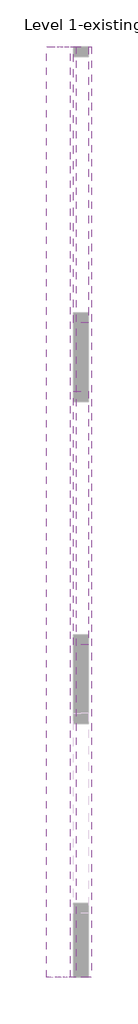
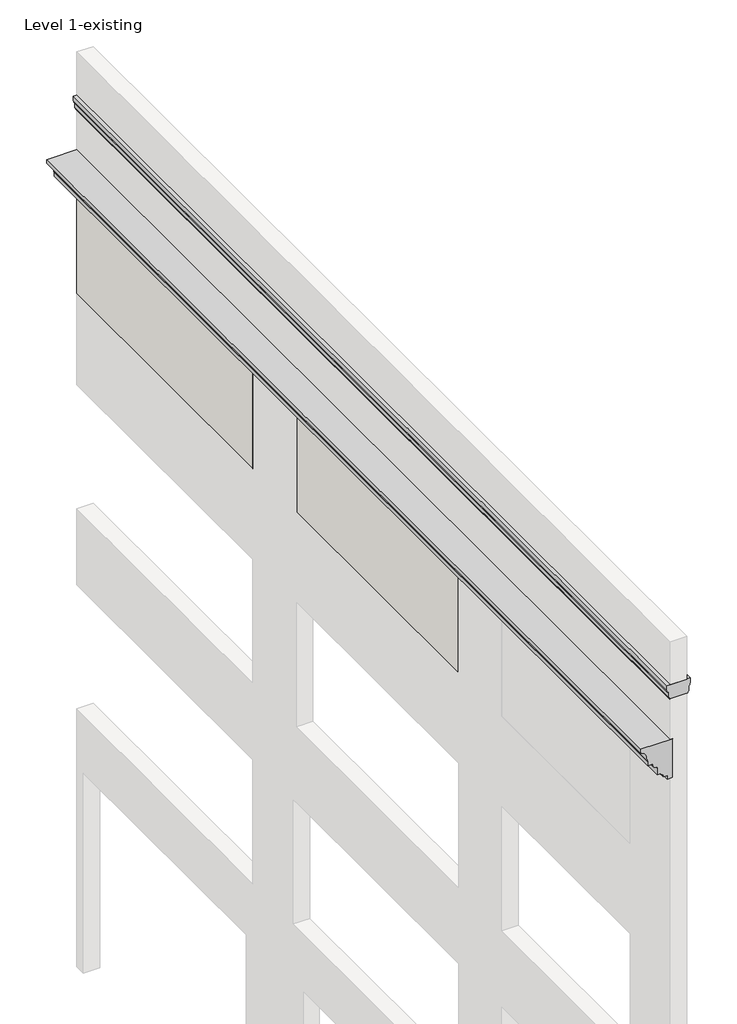
# One storey, part 2 of 2: 2 proxies, 2 walls.
"""IFC4 building model written with IfcOpenShell, lengths in millimetres."""

from ifc_helpers import new_model, si_unit, frame, origin, place, context, project, spatial, polyline, circle_curve, element, save
from ifc_brep_helpers import plane_surface, cylinder_surface, revolved_surface, extruded_surface, spline_curve, advanced_brep

model = new_model("IFC4")

# Units and contexts
model_context = context("Model", 3, world=origin())
ifc_project = project(units=[si_unit("LENGTHUNIT", "METRE", prefix="MILLI")], contexts=[model_context])

# Site, building, storey
site = spatial("IfcSite", under=ifc_project)
building = spatial("IfcBuilding", under=site)
storey = spatial("IfcBuildingStorey", under=building, Name="Level 1-existing", Elevation=0.0)

# Proxies
placement = place(None, origin())
element("IfcBuildingElementProxy", 1, Name="parapet cap-1", ObjectType="parapet cap-1", at=placement, inside=storey, context=model_context, shape_type="AdvancedBrep", body=[
    advanced_brep(
    [(-3353.2190818, 18547.5531223, 18745.2), (-3346.8690818, 18547.5531223, 18745.2), (-3346.8690818, 18547.5531223, 18732.5), (-3321.4690818, 18547.5531223, 18697.575), (-3321.4690818, 18547.5531223, 18694.4), (-2965.8690818, 18547.5531223, 18694.4), (-2965.8690818, 18547.5531223, 18697.575), (-2940.4690818, 18547.5531223, 18732.5), (-2940.4690818, 18547.5531223, 18745.2), (-2934.1190818, 18547.5531223, 18745.2), (-2934.1190818, 18547.5531223, 18846.8), (-2921.4190818, 18547.5531223, 18859.5), (-2921.4190818, 18547.5531223, 18897.6), (-2908.7190818, 18547.5531223, 18897.6), (-2908.7190818, 18547.5531223, 18999.2), (-3378.6190818, 18547.5531223, 18999.2), (-3378.6190818, 18547.5531223, 18897.6), (-3365.9190818, 18547.5531223, 18897.6), (-3365.9190818, 18547.5531223, 18859.5), (-3353.2190818, 18547.5531223, 18846.8), (-3353.2190818, 39267.6031223, 18745.2), (-3353.2190818, 39267.6031223, 18846.8), (-3365.9190818, 39267.6031223, 18859.5), (-3365.9190818, 39267.6031223, 18897.6), (-3378.6190818, 39267.6031223, 18897.6), (-3378.6190818, 39267.6031223, 18999.2), (-2908.7190818, 39267.6031223, 18999.2), (-2908.7190818, 39267.6031223, 18897.6), (-2921.4190818, 39267.6031223, 18897.6), (-2921.4190818, 39267.6031223, 18859.5), (-2934.1190818, 39267.6031223, 18846.8), (-2934.1190818, 39267.6031223, 18745.2), (-2940.4690818, 39267.6031223, 18745.2), (-2940.4690818, 39267.6031223, 18732.5), (-2965.8690818, 39267.6031223, 18697.575), (-2965.8690818, 39267.6031223, 18694.4), (-3321.4690818, 39267.6031223, 18694.4), (-3321.4690818, 39267.6031223, 18697.575), (-3346.8690818, 39267.6031223, 18732.5), (-3346.8690818, 39267.6031223, 18745.2)],
    [
        (0, 1),
        (1, 2, circle_curve(frame((-3346.8690818, 18547.5531223, 18738.85), z_axis=(0.0, -1.0, 0.0), x_axis=(-1.0, 0.0, 0.0)), 6.35)),
        (2, 3, spline_curve(3, [(-3346.8690818, 18547.5531223, 18732.5), (-3341.980604738, 18547.5531223, 18731.401678213), (-3339.009415487, 18547.5531223, 18729.539544824), (-3334.639503146, 18547.5531223, 18725.181112951), (-3333.591613249, 18547.5531223, 18722.630824533), (-3332.355538904, 18547.5531223, 18717.130531203), (-3332.234495692, 18547.5531223, 18714.164973628), (-3332.290820109, 18547.5531223, 18708.057890576), (-3332.448918022, 18547.5531223, 18704.941101953), (-3330.259124067, 18547.5531223, 18699.729884987), (-3328.10423906, 18547.5531223, 18697.575), (-3321.4690818, 18547.5531223, 18697.575)], [4, 2, 2, 2, 2, 4], [0.0, 0.022623578332002306, 0.04907252750614849, 0.0774208342241095, 0.10388792919099153, 0.12830657378910823])),
        (3, 4),
        (4, 5),
        (5, 6),
        (6, 7, spline_curve(3, [(-2965.8690818, 18547.5531223, 18697.575), (-2959.23392454, 18547.5531223, 18697.575), (-2957.079039533, 18547.5531223, 18699.729884987), (-2954.889245578, 18547.5531223, 18704.941101953), (-2955.047343491, 18547.5531223, 18708.057890576), (-2955.103667908, 18547.5531223, 18714.164973628), (-2954.982624796, 18547.5531223, 18717.130531203), (-2953.746550451, 18547.5531223, 18722.630824533), (-2952.698660554, 18547.5531223, 18725.181112951), (-2948.328748213, 18547.5531223, 18729.539544824), (-2945.357558862, 18547.5531223, 18731.401678213), (-2940.4690818, 18547.5531223, 18732.5)], [4, 2, 2, 2, 2, 4], [0.0, 0.0244186445981167, 0.05088573956499873, 0.07923404628295974, 0.10568299545710592, 0.12830657378910823])),
        (7, 8, circle_curve(frame((-2940.4690818, 18547.5531223, 18738.85), z_axis=(0.0, -1.0, 0.0), x_axis=(-1.0, 0.0, 0.0)), 6.35)),
        (8, 9),
        (9, 10),
        (10, 11, circle_curve(frame((-2921.4190818, 18547.5531223, 18846.8), z_axis=(0.0, 1.0, 0.0), x_axis=(-1.0, 0.0, 0.0)), 12.7)),
        (11, 12),
        (12, 13),
        (13, 14),
        (14, 15),
        (15, 16),
        (16, 17),
        (17, 18),
        (18, 19, circle_curve(frame((-3365.9190818, 18547.5531223, 18846.8), z_axis=(0.0, 1.0, 0.0), x_axis=(-1.0, 0.0, 0.0)), 12.7)),
        (19, 0),
        (20, 21),
        (21, 22, circle_curve(frame((-3365.9190818, 39267.6031223, 18846.8), z_axis=(0.0, -1.0, 0.0), x_axis=(-1.0, 0.0, 0.0)), 12.7)),
        (22, 23),
        (23, 24),
        (24, 25),
        (25, 26),
        (26, 27),
        (27, 28),
        (28, 29),
        (29, 30, circle_curve(frame((-2921.4190818, 39267.6031223, 18846.8), z_axis=(0.0, -1.0, 0.0), x_axis=(-1.0, 0.0, 0.0)), 12.7)),
        (30, 31),
        (31, 32),
        (32, 33, circle_curve(frame((-2940.4690818, 39267.6031223, 18738.85), z_axis=(0.0, 1.0, 0.0), x_axis=(-1.0, 0.0, 0.0)), 6.35)),
        (33, 34, spline_curve(3, [(-2940.4690818, 39267.6031223, 18732.5), (-2945.357558862, 39267.6031223, 18731.401678213), (-2948.328748213, 39267.6031223, 18729.539544824), (-2952.698660554, 39267.6031223, 18725.181112951), (-2953.746550451, 39267.6031223, 18722.630824533), (-2954.982624796, 39267.6031223, 18717.130531203), (-2955.103667908, 39267.6031223, 18714.164973628), (-2955.047343491, 39267.6031223, 18708.057890576), (-2954.889245578, 39267.6031223, 18704.941101953), (-2957.079039533, 39267.6031223, 18699.729884987), (-2959.23392454, 39267.6031223, 18697.575), (-2965.8690818, 39267.6031223, 18697.575)], [4, 2, 2, 2, 2, 4], [0.0, 0.022623578332002306, 0.04907252750614849, 0.0774208342241095, 0.10388792919099153, 0.12830657378910823])),
        (34, 35),
        (35, 36),
        (36, 37),
        (37, 38, spline_curve(3, [(-3321.4690818, 39267.6031223, 18697.575), (-3328.10423906, 39267.6031223, 18697.575), (-3330.259124067, 39267.6031223, 18699.729884987), (-3332.448918022, 39267.6031223, 18704.941101953), (-3332.290820109, 39267.6031223, 18708.057890576), (-3332.234495692, 39267.6031223, 18714.164973628), (-3332.355538904, 39267.6031223, 18717.130531203), (-3333.591613249, 39267.6031223, 18722.630824533), (-3334.639503146, 39267.6031223, 18725.181112951), (-3339.009415487, 39267.6031223, 18729.539544824), (-3341.980604738, 39267.6031223, 18731.401678213), (-3346.8690818, 39267.6031223, 18732.5)], [4, 2, 2, 2, 2, 4], [0.0, 0.0244186445981167, 0.05088573956499873, 0.07923404628295974, 0.10568299545710592, 0.12830657378910823])),
        (38, 39, circle_curve(frame((-3346.8690818, 39267.6031223, 18738.85), z_axis=(0.0, 1.0, 0.0), x_axis=(-1.0, 0.0, 0.0)), 6.35)),
        (39, 20),
        (0, 20),
        (39, 1),
        (38, 2),
        (37, 3),
        (36, 4),
        (35, 5),
        (34, 6),
        (33, 7),
        (32, 8),
        (31, 9),
        (30, 10),
        (29, 11),
        (28, 12),
        (27, 13),
        (26, 14),
        (25, 15),
        (24, 16),
        (23, 17),
        (22, 18),
        (21, 19),
    ],
    [
        plane_surface(frame((-3770.0690114, 18547.5531223, 18999.2), z_axis=(0.0, -1.0, 0.0), x_axis=(0.0, 0.0, 1.0))),
        plane_surface(frame((-3770.0690114, 39267.6031223, 18999.2), z_axis=(0.0, 1.0, 0.0), x_axis=(0.0, 0.0, 1.0))),
        plane_surface(frame((-3353.2190818, 18547.5531223, 18745.2), z_axis=(0.0, 0.0, -1.0), x_axis=(0.0, 1.0, 0.0))),
        cylinder_surface(frame((-3346.8690818, 18547.5531223, 18738.85), z_axis=(0.0, -1.0, 0.0), x_axis=(-1.0, 0.0, 0.0)), 6.35),
        extruded_surface(spline_curve(3, [(-3346.8690818, 39267.6031223, 18732.5), (-3341.980604738, 39267.6031223, 18731.401678213), (-3339.009415487, 39267.6031223, 18729.539544824), (-3334.639503146, 39267.6031223, 18725.181112951), (-3333.591613249, 39267.6031223, 18722.630824533), (-3332.355538904, 39267.6031223, 18717.130531203), (-3332.234495692, 39267.6031223, 18714.164973628), (-3332.290820109, 39267.6031223, 18708.057890576), (-3332.448918022, 39267.6031223, 18704.941101953), (-3330.259124067, 39267.6031223, 18699.729884987), (-3328.10423906, 39267.6031223, 18697.575), (-3321.4690818, 39267.6031223, 18697.575)], [4, 2, 2, 2, 2, 4], [0.0, 0.022623578332002306, 0.04907252750614849, 0.0774208342241095, 0.10388792919099153, 0.12830657378910823]), (0.0, -20720.050000000003, 0.0), 20720.050000000003),
        plane_surface(frame((-3321.4690818, 18547.5531223, 18697.575), z_axis=(-1.0, 0.0, 0.0), x_axis=(0.0, 1.0, 0.0))),
        plane_surface(frame((-3321.4690818, 18547.5531223, 18694.4), z_axis=(0.0, 0.0, -1.0), x_axis=(0.0, 1.0, 0.0))),
        plane_surface(frame((-2965.8690818, 18547.5531223, 18694.4), z_axis=(1.0, 0.0, 0.0), x_axis=(0.0, 1.0, 0.0))),
        extruded_surface(spline_curve(3, [(-2965.8690818, 39267.6031223, 18697.575), (-2959.23392454, 39267.6031223, 18697.575), (-2957.079039533, 39267.6031223, 18699.729884987), (-2954.889245578, 39267.6031223, 18704.941101953), (-2955.047343491, 39267.6031223, 18708.057890576), (-2955.103667908, 39267.6031223, 18714.164973628), (-2954.982624796, 39267.6031223, 18717.130531203), (-2953.746550451, 39267.6031223, 18722.630824533), (-2952.698660554, 39267.6031223, 18725.181112951), (-2948.328748213, 39267.6031223, 18729.539544824), (-2945.357558862, 39267.6031223, 18731.401678213), (-2940.4690818, 39267.6031223, 18732.5)], [4, 2, 2, 2, 2, 4], [0.0, 0.0244186445981167, 0.05088573956499873, 0.07923404628295974, 0.10568299545710592, 0.12830657378910823]), (0.0, -20720.050000000003, 0.0), 20720.050000000003),
        cylinder_surface(frame((-2940.4690818, 18547.5531223, 18738.85), z_axis=(0.0, -1.0, 0.0), x_axis=(-1.0, 0.0, 0.0)), 6.35),
        plane_surface(frame((-2940.4690818, 18547.5531223, 18745.2), z_axis=(0.0, 0.0, -1.0), x_axis=(0.0, 1.0, 0.0))),
        plane_surface(frame((-2934.1190818, 18547.5531223, 18745.2), z_axis=(1.0, 0.0, 0.0), x_axis=(0.0, 1.0, 0.0))),
        revolved_surface(polyline([(-2934.1190818, 39267.6031223, 18846.8), (-2934.1190818, 18547.5531223, 18846.8)]), (-2921.4190818, 18547.5531223, 18846.8), (0.0, 1.0, 0.0)),
        plane_surface(frame((-2921.4190818, 18547.5531223, 18859.5), z_axis=(1.0, 0.0, 0.0), x_axis=(0.0, 1.0, 0.0))),
        plane_surface(frame((-2921.4190818, 18547.5531223, 18897.6), z_axis=(0.0, 0.0, -1.0), x_axis=(0.0, 1.0, 0.0))),
        plane_surface(frame((-2908.7190818, 18547.5531223, 18897.6), z_axis=(1.0, 0.0, 0.0), x_axis=(0.0, 1.0, 0.0))),
        plane_surface(frame((-2908.7190818, 18547.5531223, 18999.2), z_axis=(0.0, 0.0, 1.0), x_axis=(0.0, 1.0, 0.0))),
        plane_surface(frame((-3378.6190818, 18547.5531223, 18999.2), z_axis=(-1.0, 0.0, 0.0), x_axis=(0.0, 1.0, 0.0))),
        plane_surface(frame((-3378.6190818, 18547.5531223, 18897.6), z_axis=(0.0, 0.0, -1.0), x_axis=(0.0, 1.0, 0.0))),
        plane_surface(frame((-3365.9190818, 18547.5531223, 18897.6), z_axis=(-1.0, 0.0, 0.0), x_axis=(0.0, 1.0, 0.0))),
        revolved_surface(polyline([(-3378.6190818, 39267.6031223, 18846.8), (-3378.6190818, 18547.5531223, 18846.8)]), (-3365.9190818, 18547.5531223, 18846.8), (0.0, 1.0, 0.0)),
        plane_surface(frame((-3353.2190818, 18547.5531223, 18846.8), z_axis=(-1.0, 0.0, 0.0), x_axis=(0.0, 1.0, 0.0))),
    ],
    [
        (0, [[1, 2, 3, 4, 5, 6, 7, 8, 9, 10, 11, 12, 13, 14, 15, 16, 17, 18, 19, 20]]),
        (1, [[21, 22, 23, 24, 25, 26, 27, 28, 29, 30, 31, 32, 33, 34, 35, 36, 37, 38, 39, 40]]),
        (2, [[-1, 41, -40, 42]]),
        (3, [[-2, -42, -39, 43]]),
        (4, [[-3, -43, -38, 44]]),
        (5, [[-4, -44, -37, 45]]),
        (6, [[-5, -45, -36, 46]]),
        (7, [[-6, -46, -35, 47]]),
        (8, [[-7, -47, -34, 48]]),
        (9, [[-8, -48, -33, 49]]),
        (10, [[-9, -49, -32, 50]]),
        (11, [[-10, -50, -31, 51]]),
        (12, [[-11, -51, -30, 52]]),
        (13, [[-12, -52, -29, 53]]),
        (14, [[-13, -53, -28, 54]]),
        (15, [[-14, -54, -27, 55]]),
        (16, [[-15, -55, -26, 56]]),
        (17, [[-16, -56, -25, 57]]),
        (18, [[-17, -57, -24, 58]]),
        (19, [[-18, -58, -23, 59]]),
        (20, [[-19, -59, -22, 60]]),
        (21, [[-20, -60, -21, -41]]),
    ],
),
])
element("IfcBuildingElementProxy", 2, Name="water table-2", ObjectType="water table-2", at=placement, inside=storey, context=model_context, shape_type="AdvancedBrep", body=[
    advanced_brep(
    [(-3257.9690818, 18547.5531223, 17005.3), (-3257.9690818, 18547.5531223, 17830.8), (-3918.3690818, 18547.5531223, 17830.8), (-3918.3690818, 18547.5531223, 17754.6), (-3905.6690818, 18547.5531223, 17754.6), (-3905.6690818, 18547.5531223, 17741.9), (-3777.768125, 18547.5531223, 17538.7), (-3771.418125, 18547.5531223, 17538.7), (-3771.418125, 18547.5531223, 17526.0), (-3765.9690818, 18547.5531223, 17526.0), (-3765.9690818, 18547.5531223, 17424.4), (-3676.168125, 18547.5531223, 17424.4), (-3676.168125, 18547.5531223, 17411.7), (-3663.468125, 18547.5531223, 17411.7), (-3587.268125, 18547.5531223, 17335.5), (-3587.268125, 18547.5531223, 17322.8), (-3574.568125, 18547.5531223, 17322.8), (-3574.568125, 18547.5531223, 17170.4), (-3511.9690818, 18547.5531223, 17170.4), (-3511.9690818, 18547.5531223, 17157.7), (-3448.4690818, 18547.5531223, 17094.2), (-3448.4690818, 18547.5531223, 17081.5), (-3372.2690818, 18547.5531223, 17081.5), (-3372.2690818, 18547.5531223, 17005.3), (-3257.9690818, 39267.6031223, 17005.3), (-3372.2690818, 39267.6031223, 17005.3), (-3372.2690818, 39267.6031223, 17081.5), (-3448.4690818, 39267.6031223, 17081.5), (-3448.4690818, 39267.6031223, 17094.2), (-3511.9690818, 39267.6031223, 17157.7), (-3511.9690818, 39267.6031223, 17170.4), (-3574.568125, 39267.6031223, 17170.4), (-3574.568125, 39267.6031223, 17322.8), (-3587.268125, 39267.6031223, 17322.8), (-3587.268125, 39267.6031223, 17335.5), (-3663.468125, 39267.6031223, 17411.7), (-3676.168125, 39267.6031223, 17411.7), (-3676.168125, 39267.6031223, 17424.4), (-3765.9690818, 39267.6031223, 17424.4), (-3765.9690818, 39267.6031223, 17526.0), (-3771.418125, 39267.6031223, 17526.0), (-3771.418125, 39267.6031223, 17538.7), (-3777.768125, 39267.6031223, 17538.7), (-3905.6690818, 39267.6031223, 17741.9), (-3905.6690818, 39267.6031223, 17754.6), (-3918.3690818, 39267.6031223, 17754.6), (-3918.3690818, 39267.6031223, 17830.8), (-3257.9690818, 39267.6031223, 17830.8)],
    [
        (0, 1),
        (1, 2),
        (2, 3),
        (3, 4),
        (4, 5),
        (5, 6, spline_curve(3, [(-3905.6690818, 18547.5531223, 17741.9), (-3879.010782211, 18547.5531223, 17743.278827553), (-3857.793061316, 18547.5531223, 17732.199103857), (-3822.583368839, 18547.5531223, 17707.949087122), (-3811.665229521, 18547.5531223, 17694.937355437), (-3789.122057373, 18547.5531223, 17654.202037395), (-3777.768125, 18547.5531223, 17624.121415713), (-3777.768125, 18547.5531223, 17538.7)], [4, 2, 2, 4], [0.0, 0.14364586570956595, 0.3227284397769604, 0.5364168683302675])),
        (6, 7),
        (7, 8),
        (8, 9),
        (9, 10),
        (10, 11),
        (11, 12),
        (12, 13),
        (13, 14, circle_curve(frame((-3587.268125, 18547.5531223, 17411.7), z_axis=(0.0, -1.0, 0.0), x_axis=(-1.0, 0.0, 0.0)), 76.2)),
        (14, 15),
        (15, 16),
        (16, 17),
        (17, 18),
        (18, 19),
        (19, 20, circle_curve(frame((-3511.9690818, 18547.5531223, 17094.2), z_axis=(0.0, 1.0, 0.0), x_axis=(-1.0, 0.0, 0.0)), 63.5)),
        (20, 21),
        (21, 22),
        (22, 23),
        (23, 0),
        (24, 25),
        (25, 26),
        (26, 27),
        (27, 28),
        (28, 29, circle_curve(frame((-3511.9690818, 39267.6031223, 17094.2), z_axis=(0.0, -1.0, 0.0), x_axis=(-1.0, 0.0, 0.0)), 63.5)),
        (29, 30),
        (30, 31),
        (31, 32),
        (32, 33),
        (33, 34),
        (34, 35, circle_curve(frame((-3587.268125, 39267.6031223, 17411.7), z_axis=(0.0, 1.0, 0.0), x_axis=(-1.0, 0.0, 0.0)), 76.2)),
        (35, 36),
        (36, 37),
        (37, 38),
        (38, 39),
        (39, 40),
        (40, 41),
        (41, 42),
        (42, 43, spline_curve(3, [(-3777.768125, 39267.6031223, 17538.7), (-3777.768125, 39267.6031223, 17624.121415713), (-3789.122057373, 39267.6031223, 17654.202037395), (-3811.665229521, 39267.6031223, 17694.937355437), (-3822.583368839, 39267.6031223, 17707.949087122), (-3857.793061316, 39267.6031223, 17732.199103857), (-3879.010782211, 39267.6031223, 17743.278827553), (-3905.6690818, 39267.6031223, 17741.9)], [4, 2, 2, 4], [0.0, 0.21368842855330705, 0.3927710026207015, 0.5364168683302675])),
        (43, 44),
        (44, 45),
        (45, 46),
        (46, 47),
        (47, 24),
        (0, 24),
        (47, 1),
        (46, 2),
        (45, 3),
        (44, 4),
        (43, 5),
        (42, 6),
        (41, 7),
        (40, 8),
        (39, 9),
        (38, 10),
        (37, 11),
        (36, 12),
        (35, 13),
        (34, 14),
        (33, 15),
        (32, 16),
        (31, 17),
        (30, 18),
        (29, 19),
        (28, 20),
        (27, 21),
        (26, 22),
        (25, 23),
    ],
    [
        plane_surface(frame((-4136.7077873, 18547.5531223, 17830.8), z_axis=(0.0, -1.0, 0.0), x_axis=(0.0, 0.0, 1.0))),
        plane_surface(frame((-4136.7077873, 39267.6031223, 17830.8), z_axis=(0.0, 1.0, 0.0), x_axis=(0.0, 0.0, 1.0))),
        plane_surface(frame((-3257.9690818, 18547.5531223, 17005.3), z_axis=(1.0, 0.0, 0.0), x_axis=(0.0, 1.0, 0.0))),
        plane_surface(frame((-3257.9690818, 18547.5531223, 17830.8), z_axis=(0.0, 0.0, 1.0), x_axis=(0.0, 1.0, 0.0))),
        plane_surface(frame((-3918.3690818, 18547.5531223, 17830.8), z_axis=(-1.0, 0.0, 0.0), x_axis=(0.0, 1.0, 0.0))),
        plane_surface(frame((-3918.3690818, 18547.5531223, 17754.6), z_axis=(0.0, 0.0, -1.0), x_axis=(0.0, 1.0, 0.0))),
        plane_surface(frame((-3905.6690818, 18547.5531223, 17754.6), z_axis=(-1.0, 0.0, 0.0), x_axis=(0.0, 1.0, 0.0))),
        extruded_surface(spline_curve(3, [(-3905.6690818, 39267.6031223, 17741.9), (-3879.010782211, 39267.6031223, 17743.278827553), (-3857.793061316, 39267.6031223, 17732.199103857), (-3822.583368839, 39267.6031223, 17707.949087122), (-3811.665229521, 39267.6031223, 17694.937355437), (-3789.122057373, 39267.6031223, 17654.202037395), (-3777.768125, 39267.6031223, 17624.121415713), (-3777.768125, 39267.6031223, 17538.7)], [4, 2, 2, 4], [0.0, 0.14364586570956595, 0.3227284397769604, 0.5364168683302675]), (0.0, -20720.050000000003, 0.0), 20720.050000000003),
        plane_surface(frame((-3777.768125, 18547.5531223, 17538.7), z_axis=(0.0, 0.0, -1.0), x_axis=(0.0, 1.0, 0.0))),
        plane_surface(frame((-3771.418125, 18547.5531223, 17538.7), z_axis=(-1.0, 0.0, 0.0), x_axis=(0.0, 1.0, 0.0))),
        plane_surface(frame((-3771.418125, 18547.5531223, 17526.0), z_axis=(0.0, 0.0, -1.0), x_axis=(0.0, 1.0, 0.0))),
        plane_surface(frame((-3765.9690818, 18547.5531223, 17526.0), z_axis=(-1.0, 0.0, 0.0), x_axis=(0.0, 1.0, 0.0))),
        plane_surface(frame((-3765.9690818, 18547.5531223, 17424.4), z_axis=(0.0, 0.0, -1.0), x_axis=(0.0, 1.0, 0.0))),
        plane_surface(frame((-3676.168125, 18547.5531223, 17424.4), z_axis=(-1.0, 0.0, 0.0), x_axis=(0.0, 1.0, 0.0))),
        plane_surface(frame((-3676.168125, 18547.5531223, 17411.7), z_axis=(0.0, 0.0, -1.0), x_axis=(0.0, 1.0, 0.0))),
        cylinder_surface(frame((-3587.268125, 18547.5531223, 17411.7), z_axis=(0.0, -1.0, 0.0), x_axis=(-1.0, 0.0, 0.0)), 76.2),
        plane_surface(frame((-3587.268125, 18547.5531223, 17335.5), z_axis=(-1.0, 0.0, 0.0), x_axis=(0.0, 1.0, 0.0))),
        plane_surface(frame((-3587.268125, 18547.5531223, 17322.8), z_axis=(0.0, 0.0, -1.0), x_axis=(0.0, 1.0, 0.0))),
        plane_surface(frame((-3574.568125, 18547.5531223, 17322.8), z_axis=(-1.0, 0.0, 0.0), x_axis=(0.0, 1.0, 0.0))),
        plane_surface(frame((-3574.568125, 18547.5531223, 17170.4), z_axis=(0.0, 0.0, -1.0), x_axis=(0.0, 1.0, 0.0))),
        plane_surface(frame((-3511.9690818, 18547.5531223, 17170.4), z_axis=(-1.0, 0.0, 0.0), x_axis=(0.0, 1.0, 0.0))),
        revolved_surface(polyline([(-3575.4690818, 39267.6031223, 17094.2), (-3575.4690818, 18547.5531223, 17094.2)]), (-3511.9690818, 18547.5531223, 17094.2), (0.0, 1.0, 0.0)),
        plane_surface(frame((-3448.4690818, 18547.5531223, 17094.2), z_axis=(-1.0, 0.0, 0.0), x_axis=(0.0, 1.0, 0.0))),
        plane_surface(frame((-3448.4690818, 18547.5531223, 17081.5), z_axis=(0.0, 0.0, -1.0), x_axis=(0.0, 1.0, 0.0))),
        plane_surface(frame((-3372.2690818, 18547.5531223, 17081.5), z_axis=(-1.0, 0.0, 0.0), x_axis=(0.0, 1.0, 0.0))),
        plane_surface(frame((-3372.2690818, 18547.5531223, 17005.3), z_axis=(0.0, 0.0, -1.0), x_axis=(0.0, 1.0, 0.0))),
    ],
    [
        (0, [[1, 2, 3, 4, 5, 6, 7, 8, 9, 10, 11, 12, 13, 14, 15, 16, 17, 18, 19, 20, 21, 22, 23, 24]]),
        (1, [[25, 26, 27, 28, 29, 30, 31, 32, 33, 34, 35, 36, 37, 38, 39, 40, 41, 42, 43, 44, 45, 46, 47, 48]]),
        (2, [[-1, 49, -48, 50]]),
        (3, [[-2, -50, -47, 51]]),
        (4, [[-3, -51, -46, 52]]),
        (5, [[-4, -52, -45, 53]]),
        (6, [[-5, -53, -44, 54]]),
        (7, [[-6, -54, -43, 55]]),
        (8, [[-7, -55, -42, 56]]),
        (9, [[-8, -56, -41, 57]]),
        (10, [[-9, -57, -40, 58]]),
        (11, [[-10, -58, -39, 59]]),
        (12, [[-11, -59, -38, 60]]),
        (13, [[-12, -60, -37, 61]]),
        (14, [[-13, -61, -36, 62]]),
        (15, [[-14, -62, -35, 63]]),
        (16, [[-15, -63, -34, 64]]),
        (17, [[-16, -64, -33, 65]]),
        (18, [[-17, -65, -32, 66]]),
        (19, [[-18, -66, -31, 67]]),
        (20, [[-19, -67, -30, 68]]),
        (21, [[-20, -68, -29, 69]]),
        (22, [[-21, -69, -28, 70]]),
        (23, [[-22, -70, -27, 71]]),
        (24, [[-23, -71, -26, 72]]),
        (25, [[-24, -72, -25, -49]]),
    ],
),
])

# Walls
element("IfcWall", 3, ObjectType="Brick - 13\"", at=placement, inside=storey, context=model_context, shape_type="AdvancedBrep", body=[
    advanced_brep(
    [(-2978.5690818, 25951.6531223, 14757.4), (-2978.5690818, 31596.8031223, 14757.4), (-2978.5690818, 31596.8031223, 17001.264502), (-2978.5690818, 25951.6531223, 17001.264502), (-3308.7690818, 31596.8031223, 14757.4), (-3308.7690818, 25951.6531223, 14757.4), (-3308.7690818, 25951.6531223, 17001.264502), (-3308.7690818, 25965.7313275, 17005.3014074), (-3308.7690818, 31582.7249171, 17005.3014074), (-3308.7690818, 31596.8031223, 17001.264502)],
    [
        (0, 1),
        (1, 2),
        (2, 3, circle_curve(frame((-2978.5690818, 28774.2281223, 7184.8094444), z_axis=(1.0, 0.0, 0.0), x_axis=(0.0, 1.0, 0.0)), 10214.1920644)),
        (3, 0),
        (4, 5),
        (5, 6),
        (6, 7, circle_curve(frame((-3308.7690818, 28774.2281223, 7184.8094444), z_axis=(-1.0, 0.0, 0.0), x_axis=(0.0, 1.0, 0.0)), 10214.1920644)),
        (7, 8, circle_curve(frame((-3308.7690818, 28774.2281223, 7184.8094444), z_axis=(-1.0, 0.0, 0.0), x_axis=(0.0, 1.0, 0.0)), 10214.1919231)),
        (8, 9, circle_curve(frame((-3308.7690818, 28774.2281223, 7184.8094444), z_axis=(-1.0, 0.0, 0.0), x_axis=(0.0, 1.0, 0.0)), 10214.1919231)),
        (9, 4),
        (4, 1),
        (0, 5),
        (3, 6),
        (2, 9),
    ],
    [
        plane_surface(frame((-2978.5690818, 19969.9531223, 419.1), z_axis=(1.0, 0.0, 0.0), x_axis=(0.0, 1.0, 0.0))),
        plane_surface(frame((-3308.7690818, 19969.9531223, 419.1), z_axis=(-1.0, 0.0, 0.0), x_axis=(0.0, -1.0, 0.0))),
        plane_surface(frame((-4502.5690818, 31596.8031223, 14757.4), z_axis=(0.0, 0.0, -1.0), x_axis=(1.0, 0.0, 0.0))),
        plane_surface(frame((-4502.5690818, 25951.6531223, 14757.4), z_axis=(0.0, -1.0, 0.0), x_axis=(1.0, 0.0, 0.0))),
        cylinder_surface(frame((-1454.5690818, 28774.2281223, 7184.8094444), z_axis=(-1.0, 0.0, 0.0), x_axis=(0.0, 1.0, 0.0)), 10214.1920644),
        plane_surface(frame((-4502.5690818, 31596.8031223, 17001.264502), z_axis=(0.0, 1.0, 0.0), x_axis=(1.0, 0.0, 0.0))),
    ],
    [
        (0, [[1, 2, 3, 4]]),
        (1, [[5, 6, 7, 8, 9, 10]]),
        (2, [[11, -1, 12, -5]]),
        (3, [[-12, -4, 13, -6]]),
        (4, [[-13, -3, 14, -9, -8, -7]]),
        (5, [[-11, -10, -14, -2]]),
    ],
),
])
element("IfcWall", 4, ObjectType="Brick - 13\"", at=placement, inside=storey, context=model_context, shape_type="AdvancedBrep", body=[
    advanced_brep(
    [(-2978.5690818, 33120.8031223, 14757.4), (-2978.5690818, 39267.6031223, 14757.4), (-2978.5690818, 39267.6031223, 17001.264502), (-2978.5690818, 33120.8031223, 17001.264502), (-3308.7690818, 39267.6031223, 14757.4), (-3308.7690818, 33120.8031223, 14757.4), (-3308.7690818, 33120.8031223, 17001.264502), (-3308.7690818, 33136.1796855, 17005.3011892), (-3308.7690818, 39252.2265592, 17005.3011892), (-3308.7690818, 39267.6031223, 17001.264502)],
    [
        (0, 1),
        (1, 2),
        (2, 3, circle_curve(frame((-2978.5690818, 36194.2031223, 5325.7192616), z_axis=(1.0, 0.0, 0.0), x_axis=(0.0, 1.0, 0.0)), 12073.2822472)),
        (3, 0),
        (4, 5),
        (5, 6),
        (6, 7, circle_curve(frame((-3308.7690818, 36194.2031223, 5325.7192616), z_axis=(-1.0, 0.0, 0.0), x_axis=(0.0, 1.0, 0.0)), 12073.2822472)),
        (7, 8, circle_curve(frame((-3308.7690818, 36194.2031223, 5325.7192616), z_axis=(-1.0, 0.0, 0.0), x_axis=(0.0, 1.0, 0.0)), 12073.282128)),
        (8, 9, circle_curve(frame((-3308.7690818, 36194.2031223, 5325.7192616), z_axis=(-1.0, 0.0, 0.0), x_axis=(0.0, 1.0, 0.0)), 12073.282128)),
        (9, 4),
        (4, 1),
        (0, 5),
        (3, 6),
        (2, 9),
    ],
    [
        plane_surface(frame((-2978.5690818, 19969.9531223, 419.1), z_axis=(1.0, 0.0, 0.0), x_axis=(0.0, 1.0, 0.0))),
        plane_surface(frame((-3308.7690818, 19969.9531223, 419.1), z_axis=(-1.0, 0.0, 0.0), x_axis=(0.0, -1.0, 0.0))),
        plane_surface(frame((-4502.5690818, 39267.6031223, 14757.4), z_axis=(0.0, 0.0, -1.0), x_axis=(1.0, 0.0, 0.0))),
        plane_surface(frame((-4502.5690818, 33120.8031223, 14757.4), z_axis=(0.0, -1.0, 0.0), x_axis=(1.0, 0.0, 0.0))),
        cylinder_surface(frame((-1454.5690818, 36194.2031223, 5325.7192616), z_axis=(-1.0, 0.0, 0.0), x_axis=(0.0, 1.0, 0.0)), 12073.2822472),
        plane_surface(frame((-4502.5690818, 39267.6031223, 17001.264502), z_axis=(0.0, 1.0, 0.0), x_axis=(1.0, 0.0, 0.0))),
    ],
    [
        (0, [[1, 2, 3, 4]]),
        (1, [[5, 6, 7, 8, 9, 10]]),
        (2, [[11, -1, 12, -5]]),
        (3, [[-12, -4, 13, -6]]),
        (4, [[-13, -3, 14, -9, -8, -7]]),
        (5, [[-11, -10, -14, -2]]),
    ],
),
])

save(model, "model.ifc")
